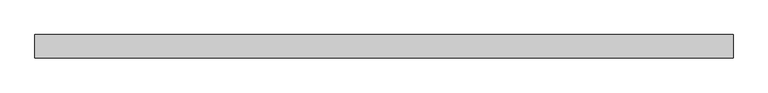
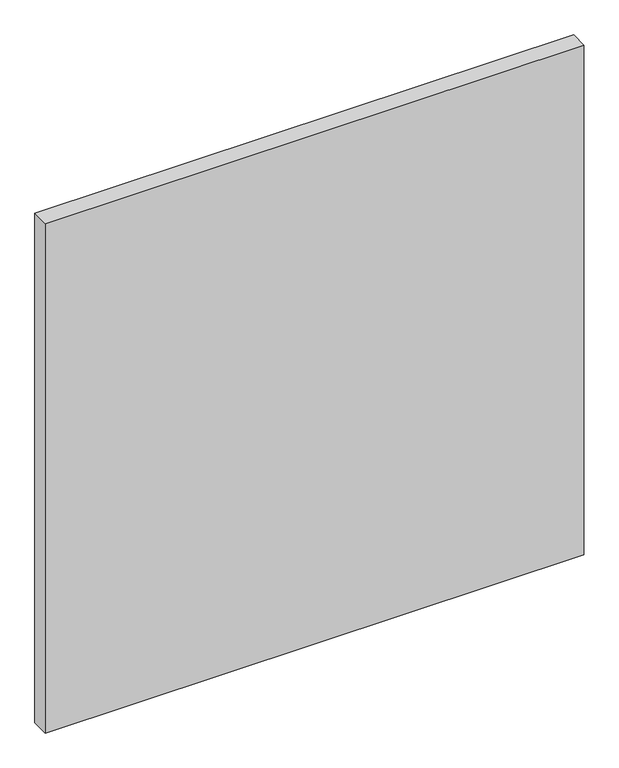
"""IFC4 building model written with IfcOpenShell, lengths in millimetres: proxy geometry."""

from ifc_helpers import new_model, si_unit, origin, origin_with_axes, place, context, project, spatial, polyline, outline, extrude, source, transform, mapped, element, save


def generic_models_de5a6acf(model_context):
    return source(origin(), model_context, "Body", "SweptSolid", [
        extrude(outline(polyline([(0.0, 100.0), (0.0, 0.0), (-3000.0, 0.0), (-3000.0, 100.0), (0.0, 100.0)])), origin_with_axes(), (0.0, 0.0, 1.0), 3000.0),
    ])


if __name__ == "__main__":
    model = new_model("IFC4")
    model_context = context("Model", 3, world=origin())
    ifc_project = project(units=[si_unit("LENGTHUNIT", "METRE", prefix="MILLI")], contexts=[model_context])
    site = spatial("IfcSite", under=ifc_project)
    building = spatial("IfcBuilding", under=site)
    placement = place(None, origin())
    generic_models_shape = generic_models_de5a6acf(model_context)
    element("IfcBuildingElementProxy", 1, Name="Generic Models", at=placement, inside=building, context=model_context, shape_type="MappedRepresentation", body=[
        mapped(generic_models_shape, transform((0.0, 0.0, 0.0), x_axis=(1.0, 0.0, 0.0), y_axis=(0.0, 1.0, 0.0), z_axis=(0.0, 0.0, 1.0))),
    ])
    save(model, "model.ifc")
